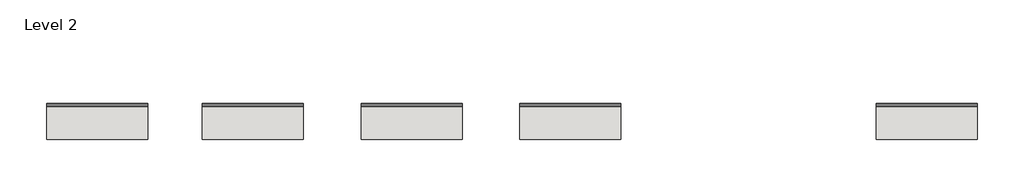
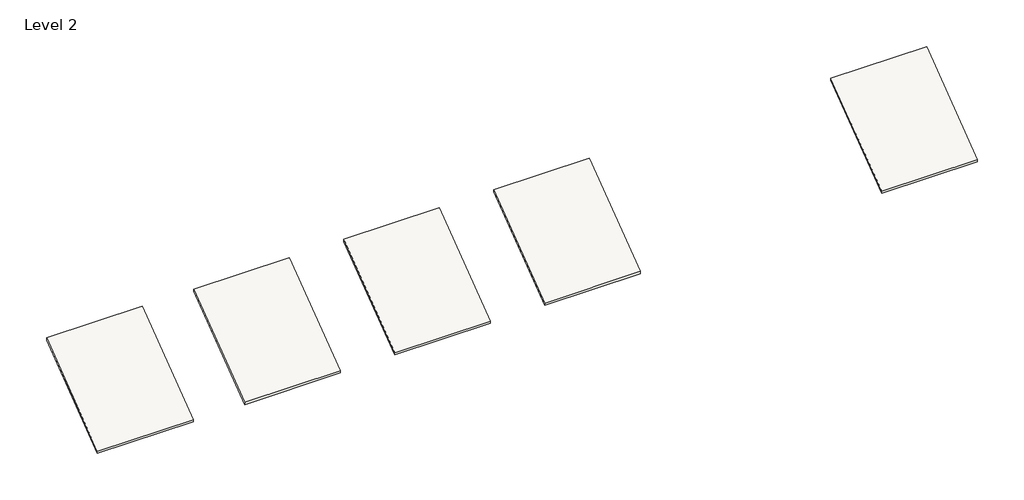
# One storey, part 1 of 3: 5 roofs.
"""IFC4 building model written with IfcOpenShell, lengths in millimetres."""

from ifc_helpers import new_model, si_unit, frame, origin, place, context, project, spatial, polyline, outline, extrude, element, save

model = new_model("IFC4")

# Units and contexts
model_context = context("Model", 3, world=origin())
ifc_project = project(units=[si_unit("LENGTHUNIT", "METRE", prefix="MILLI")], contexts=[model_context])

# Site, building, storey
site = spatial("IfcSite", under=ifc_project)
building = spatial("IfcBuilding", under=site)
storey = spatial("IfcBuildingStorey", under=building, Name="Level 2", Elevation=3048.0)

# Roofs
placement = place(None, origin())
element("IfcRoof", 1, at=placement, inside=storey, context=model_context, shape_type="SweptSolid", body=[
    extrude(outline(polyline([(-511.0919386, 3151.1875), (3603.7080614, 6237.2875), (3603.7080614, 6134.1), (-511.0919386, 3048.0), (-511.0919386, 3151.1875)])), frame((-14990.3551587, 0.0, 0.0), z_axis=(1.0, 0.0, 0.0), x_axis=(0.0, 1.0, 0.0)), (0.0, 0.0, 1.0), 4455.1600003),
])
element("IfcRoof", 2, at=placement, inside=storey, context=model_context, shape_type="SweptSolid", body=[
    extrude(outline(polyline([(-511.0919386, 3151.1875), (3603.7080614, 6237.2875), (3603.7080614, 6134.1), (-511.0919386, 3048.0), (-511.0919386, 3151.1875)])), frame((-8132.3551587, 0.0, 0.0), z_axis=(1.0, 0.0, 0.0), x_axis=(0.0, 1.0, 0.0)), (0.0, 0.0, 1.0), 4455.1600003),
])
element("IfcRoof", 3, at=placement, inside=storey, context=model_context, shape_type="SweptSolid", body=[
    extrude(outline(polyline([(-511.0919386, 3151.1875), (3603.7080614, 6237.2875), (3603.7080614, 6134.1), (-511.0919386, 3048.0), (-511.0919386, 3151.1875)])), frame((-1121.9551587, 0.0, 0.0), z_axis=(1.0, 0.0, 0.0), x_axis=(0.0, 1.0, 0.0)), (0.0, 0.0, 1.0), 4455.1600003),
])
element("IfcRoof", 4, at=placement, inside=storey, context=model_context, shape_type="SweptSolid", body=[
    extrude(outline(polyline([(-511.0919386, 3151.1875), (3603.7080614, 6237.2875), (3603.7080614, 6134.1), (-511.0919386, 3048.0), (-511.0919386, 3151.1875)])), frame((5863.0448413, 0.0, 0.0), z_axis=(1.0, 0.0, 0.0), x_axis=(0.0, 1.0, 0.0)), (0.0, 0.0, 1.0), 4455.1600003),
])
element("IfcRoof", 5, at=placement, inside=storey, context=model_context, shape_type="SweptSolid", body=[
    extrude(outline(polyline([(-511.2110011, 3151.1875), (3603.5889989, 6237.2875), (3603.5889989, 6134.1), (-511.2110011, 3048.0), (-511.2110011, 3151.1875)])), frame((21595.8048416, 0.0, 0.0), z_axis=(1.0, 0.0, 0.0), x_axis=(0.0, 1.0, 0.0)), (0.0, 0.0, 1.0), 4455.1600003),
])

save(model, "model.ifc")
